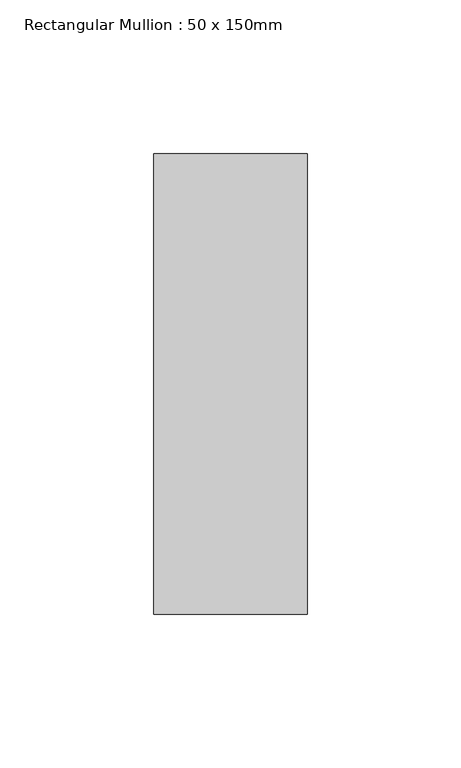
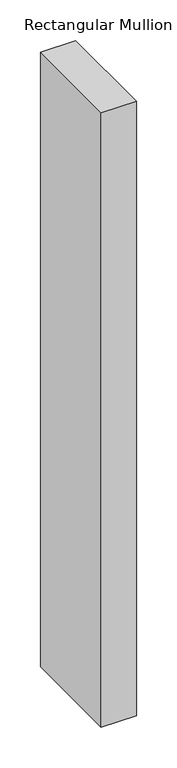
"""IFC4 building model written with IfcOpenShell, lengths in millimetres: member geometry, Rectangular Mullion : 50 x 150mm."""

import ifcopenshell
import ifcopenshell.guid

model = None  # the IFC model being written
_history = None  # IfcOwnerHistory: only IFC2X3 demands one
_inside = {}  # id of a spatial element -> (the spatial element, [elements in it])
_under = {}  # id of a project, library or spatial element -> (it, [spatial elements below it])
_declared = {}  # id of a project -> (the project, [libraries it declares])
_typed = {}  # id of a type object -> (the type object, [elements of that type])
_made_of = {}  # id of a material, layer set ... -> (it, [elements and type objects made of it])


def new_model(schema):
    """Start an empty IFC model of exactly this schema.

    Asked for "IFC4X3", IfcOpenShell would pick the latest addendum, in which some entities
    have other attributes; the version numbers below select the first issue.
    IFC2X3 requires an IfcOwnerHistory on every rooted entity: one is made here for all.
    """
    global model, _history
    if schema == "IFC4X3":
        model = ifcopenshell.file(schema_version=(4, 3, 0, 0))
    else:
        model = ifcopenshell.file(schema=schema)
    _inside.clear()
    _under.clear()
    _declared.clear()
    _typed.clear()
    _made_of.clear()
    _history = None
    if model.schema == "IFC2X3":
        org = make("IfcOrganization", Name="unknown")
        user = make(
            "IfcPersonAndOrganization",
            ThePerson=make("IfcPerson", FamilyName="unknown"),
            TheOrganization=org,
        )
        app = make(
            "IfcApplication",
            ApplicationDeveloper=org,
            Version="unknown",
            ApplicationFullName="unknown",
            ApplicationIdentifier="unknown",
        )
        _history = make(
            "IfcOwnerHistory",
            OwningUser=user,
            OwningApplication=app,
            ChangeAction="ADDED",
            CreationDate=0,
        )
    return model


def make(cls, **values):
    """One entity of the class cls with the attributes given. An attribute that is None is left unset."""
    return model.create_entity(
        cls, **{name: value for name, value in values.items() if value is not None}
    )


def rooted(cls, **values):
    """An entity with a GlobalId (a new one), such as an element, a storey or a relation."""
    return make(cls, GlobalId=ifcopenshell.guid.new(), OwnerHistory=_history, **values)


def si_unit(unit_type, name, prefix=None):
    """IfcSIUnit, for example si_unit("LENGTHUNIT", "METRE", prefix="MILLI")."""
    return make("IfcSIUnit", UnitType=unit_type, Prefix=prefix, Name=name)


def assignment(units):
    """IfcUnitAssignment: the units of a project."""
    return None if units is None else make("IfcUnitAssignment", Units=units)


def point(xyz):
    """IfcCartesianPoint."""
    return None if xyz is None else make("IfcCartesianPoint", Coordinates=xyz)


def direction(xyz):
    """IfcDirection."""
    return None if xyz is None else make("IfcDirection", DirectionRatios=xyz)


def frame(location, z_axis=None, x_axis=None):
    """IfcAxis2Placement3D, a coordinate frame: its origin and axes. An axis left out is left unset."""
    return make(
        "IfcAxis2Placement3D",
        Location=point(location),
        Axis=direction(z_axis),
        RefDirection=direction(x_axis),
    )


def origin():
    """The frame at (0, 0, 0) with its axes left unset."""
    return frame((0.0, 0.0, 0.0))


def place(relative_to, where):
    """IfcLocalPlacement: puts the frame where relative to a parent placement (None: the world)."""
    return make(
        "IfcLocalPlacement", PlacementRelTo=relative_to, RelativePlacement=where
    )


def context(
    kind, dimensions, precision=None, world=None, true_north=None, identifier=None
):
    """IfcGeometricRepresentationContext, for example the 3D "Model" context."""
    return make(
        "IfcGeometricRepresentationContext",
        ContextIdentifier=identifier,
        ContextType=kind,
        CoordinateSpaceDimension=dimensions,
        Precision=precision,
        WorldCoordinateSystem=world,
        TrueNorth=true_north,
    )


def project(units=None, contexts=None):
    """IfcProject with its units and contexts."""
    return rooted(
        "IfcProject",
        Name="project",
        RepresentationContexts=contexts,
        UnitsInContext=assignment(units),
    )


def spatial(cls, under=None, at=None, **own):
    """A site, building, storey or space (cls), placed at a placement, below another one or the project."""
    s = rooted(cls, ObjectPlacement=at, **own)
    if under is not None:
        _under.setdefault(under.id(), (under, []))[1].append(s)
    return s


def polyline(points):
    """IfcPolyline through the points."""
    return make("IfcPolyline", Points=[point(p) for p in points])


def outline(outer, holes=None, kind="AREA"):
    """IfcArbitraryClosedProfileDef: a profile drawn as a closed curve; with holes, ...WithVoids."""
    if holes is None:
        return make("IfcArbitraryClosedProfileDef", ProfileType=kind, OuterCurve=outer)
    return make(
        "IfcArbitraryProfileDefWithVoids",
        ProfileType=kind,
        OuterCurve=outer,
        InnerCurves=holes,
    )


def extrude(swept, where, along, depth):
    """IfcExtrudedAreaSolid: the profile swept, set in the frame where, extruded along a direction by depth."""
    return make(
        "IfcExtrudedAreaSolid",
        SweptArea=swept,
        Position=where,
        ExtrudedDirection=direction(along),
        Depth=depth,
    )


def shape(context_of_items, identifier, shape_type, items):
    """IfcShapeRepresentation: the items that make up one representation, for example the "Body"."""
    return make(
        "IfcShapeRepresentation",
        ContextOfItems=context_of_items,
        RepresentationIdentifier=identifier,
        RepresentationType=shape_type,
        Items=items,
    )


def source(mapping_origin, context_of_items, identifier, shape_type, items):
    """IfcRepresentationMap: a shape defined once, which mapped items show again and again."""
    return make(
        "IfcRepresentationMap",
        MappingOrigin=mapping_origin,
        MappedRepresentation=shape(context_of_items, identifier, shape_type, items),
    )


def transform(
    local_origin,
    x_axis=None,
    y_axis=None,
    z_axis=None,
    scale=None,
    scale2=None,
    scale3=None,
    uniform=True,
):
    """IfcCartesianTransformationOperator3D, or its non-uniform kind. x_axis, y_axis, z_axis: its Axis1, 2, 3."""
    if uniform:
        return make(
            "IfcCartesianTransformationOperator3D",
            Axis1=direction(x_axis),
            Axis2=direction(y_axis),
            LocalOrigin=point(local_origin),
            Scale=scale,
            Axis3=direction(z_axis),
        )
    return make(
        "IfcCartesianTransformationOperator3DnonUniform",
        Axis1=direction(x_axis),
        Axis2=direction(y_axis),
        LocalOrigin=point(local_origin),
        Scale=scale,
        Axis3=direction(z_axis),
        Scale2=scale2,
        Scale3=scale3,
    )


def mapped(mapping_source, mapping_target):
    """IfcMappedItem: shows the shape of a source again, moved by a transform."""
    return make(
        "IfcMappedItem", MappingSource=mapping_source, MappingTarget=mapping_target
    )


def made_of(thing, what):
    """Note that an element or type object is made of a material, layer set ...; save() writes the relation."""
    if what is not None:
        _made_of.setdefault(what.id(), (what, []))[1].append(thing)
    return thing


def element(
    cls,
    number,
    at=None,
    inside=None,
    cuts=None,
    type_object=None,
    material=None,
    context=None,
    identifier="Body",
    shape_type=None,
    held_by="IfcProductDefinitionShape",
    body=None,
    shapes=None,
    **own,
):
    """One element of the class cls, such as IfcWall. Its Tag is "e" and its number.

    at: its placement. inside: the storey or other place that contains it. cuts: it is an
    opening in that element (IfcRelVoidsElement). A single representation is given by context,
    identifier, shape_type and body (its items); several are given by shapes. held_by: the class
    of the entity that holds the representations. save() writes the other relations.
    """
    e = rooted(cls, Tag="e%d" % number, ObjectPlacement=at, **own)
    if body is not None:
        shapes = [shape(context, identifier, shape_type, body)]
    if shapes is not None:
        e.Representation = make(held_by, Representations=shapes)
    if inside is not None:
        _inside.setdefault(inside.id(), (inside, []))[1].append(e)
    if cuts is not None:
        rooted(
            "IfcRelVoidsElement", RelatingBuildingElement=cuts, RelatedOpeningElement=e
        )
    if type_object is not None:
        _typed.setdefault(type_object.id(), (type_object, []))[1].append(e)
    return made_of(e, material)


def aggregate(whole, parts):
    """IfcRelAggregates: a whole, such as a stair, and the parts it consists of."""
    return rooted("IfcRelAggregates", RelatingObject=whole, RelatedObjects=parts)


def save(model, path):
    """Write the relations noted so far, then the file.

    IfcRelAggregates (storeys below a building ...), IfcRelContainedInSpatialStructure (elements
    in a storey), IfcRelDefinesByType, IfcRelAssociatesMaterial and IfcRelDeclares: one each for
    every whole, place, type object, material and project.
    """
    for whole, parts in _under.values():
        aggregate(whole, parts)
    for where, things in _inside.values():
        rooted(
            "IfcRelContainedInSpatialStructure",
            RelatedElements=things,
            RelatingStructure=where,
        )
    for kind, things in _typed.values():
        rooted("IfcRelDefinesByType", RelatedObjects=things, RelatingType=kind)
    for what, things in _made_of.values():
        rooted("IfcRelAssociatesMaterial", RelatedObjects=things, RelatingMaterial=what)
    for by, libraries in _declared.values():
        rooted("IfcRelDeclares", RelatingContext=by, RelatedDefinitions=libraries)
    model.write(path)


def rectangular_mullion_50_x_150mm_a91aaa2b(model_context):
    return source(origin(), model_context, "Body", "SweptSolid", [
        extrude(outline(polyline([(0.0, 75.0), (0.0, -75.0), (-50.0, -75.0), (-50.0, 75.0), (0.0, 75.0)])), frame((0.0, 0.0, -925.0), z_axis=(0.0, 0.0, 1.0), x_axis=(1.0, 0.0, 0.0)), (0.0, 0.0, 1.0), 925.0),
    ])


if __name__ == "__main__":
    model = new_model("IFC4")
    model_context = context("Model", 3, world=origin())
    ifc_project = project(units=[si_unit("LENGTHUNIT", "METRE", prefix="MILLI")], contexts=[model_context])
    site = spatial("IfcSite", under=ifc_project)
    building = spatial("IfcBuilding", under=site)
    placement = place(None, origin())
    rectangular_mullion_50_x_150mm_shape = rectangular_mullion_50_x_150mm_a91aaa2b(model_context)
    element("IfcMember", 1, ObjectType="Rectangular Mullion : 50 x 150mm", at=placement, inside=building, context=model_context, shape_type="MappedRepresentation", body=[
        mapped(rectangular_mullion_50_x_150mm_shape, transform((0.0, 0.0, 0.0), x_axis=(1.0, 0.0, 0.0), y_axis=(0.0, 1.0, 0.0), z_axis=(0.0, 0.0, 1.0))),
    ])
    save(model, "model.ifc")
